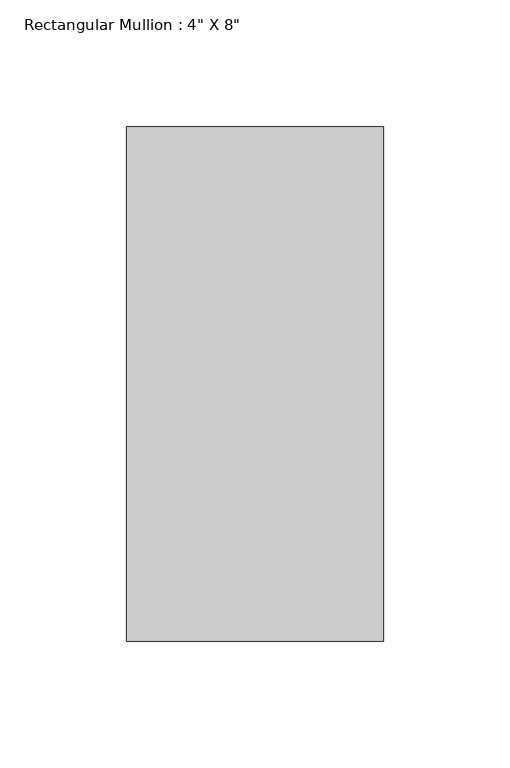
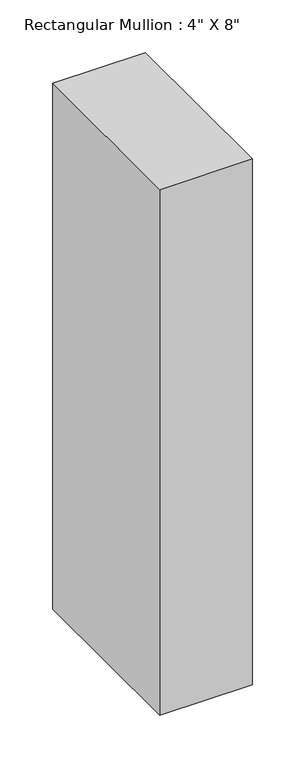
"""IFC4 building model written with IfcOpenShell, lengths in millimetres: member geometry."""

import ifcopenshell
import ifcopenshell.guid

model = None  # the IFC model being written
_history = None  # IfcOwnerHistory: only IFC2X3 demands one
_inside = {}  # id of a spatial element -> (the spatial element, [elements in it])
_under = {}  # id of a project, library or spatial element -> (it, [spatial elements below it])
_declared = {}  # id of a project -> (the project, [libraries it declares])
_typed = {}  # id of a type object -> (the type object, [elements of that type])
_made_of = {}  # id of a material, layer set ... -> (it, [elements and type objects made of it])


def new_model(schema):
    """Start an empty IFC model of exactly this schema.

    Asked for "IFC4X3", IfcOpenShell would pick the latest addendum, in which some entities
    have other attributes; the version numbers below select the first issue.
    IFC2X3 requires an IfcOwnerHistory on every rooted entity: one is made here for all.
    """
    global model, _history
    if schema == "IFC4X3":
        model = ifcopenshell.file(schema_version=(4, 3, 0, 0))
    else:
        model = ifcopenshell.file(schema=schema)
    _inside.clear()
    _under.clear()
    _declared.clear()
    _typed.clear()
    _made_of.clear()
    _history = None
    if model.schema == "IFC2X3":
        org = make("IfcOrganization", Name="unknown")
        user = make(
            "IfcPersonAndOrganization",
            ThePerson=make("IfcPerson", FamilyName="unknown"),
            TheOrganization=org,
        )
        app = make(
            "IfcApplication",
            ApplicationDeveloper=org,
            Version="unknown",
            ApplicationFullName="unknown",
            ApplicationIdentifier="unknown",
        )
        _history = make(
            "IfcOwnerHistory",
            OwningUser=user,
            OwningApplication=app,
            ChangeAction="ADDED",
            CreationDate=0,
        )
    return model


def make(cls, **values):
    """One entity of the class cls with the attributes given. An attribute that is None is left unset."""
    return model.create_entity(
        cls, **{name: value for name, value in values.items() if value is not None}
    )


def rooted(cls, **values):
    """An entity with a GlobalId (a new one), such as an element, a storey or a relation."""
    return make(cls, GlobalId=ifcopenshell.guid.new(), OwnerHistory=_history, **values)


def si_unit(unit_type, name, prefix=None):
    """IfcSIUnit, for example si_unit("LENGTHUNIT", "METRE", prefix="MILLI")."""
    return make("IfcSIUnit", UnitType=unit_type, Prefix=prefix, Name=name)


def assignment(units):
    """IfcUnitAssignment: the units of a project."""
    return None if units is None else make("IfcUnitAssignment", Units=units)


def point(xyz):
    """IfcCartesianPoint."""
    return None if xyz is None else make("IfcCartesianPoint", Coordinates=xyz)


def direction(xyz):
    """IfcDirection."""
    return None if xyz is None else make("IfcDirection", DirectionRatios=xyz)


def frame(location, z_axis=None, x_axis=None):
    """IfcAxis2Placement3D, a coordinate frame: its origin and axes. An axis left out is left unset."""
    return make(
        "IfcAxis2Placement3D",
        Location=point(location),
        Axis=direction(z_axis),
        RefDirection=direction(x_axis),
    )


def origin():
    """The frame at (0, 0, 0) with its axes left unset."""
    return frame((0.0, 0.0, 0.0))


def place(relative_to, where):
    """IfcLocalPlacement: puts the frame where relative to a parent placement (None: the world)."""
    return make(
        "IfcLocalPlacement", PlacementRelTo=relative_to, RelativePlacement=where
    )


def context(
    kind, dimensions, precision=None, world=None, true_north=None, identifier=None
):
    """IfcGeometricRepresentationContext, for example the 3D "Model" context."""
    return make(
        "IfcGeometricRepresentationContext",
        ContextIdentifier=identifier,
        ContextType=kind,
        CoordinateSpaceDimension=dimensions,
        Precision=precision,
        WorldCoordinateSystem=world,
        TrueNorth=true_north,
    )


def project(units=None, contexts=None):
    """IfcProject with its units and contexts."""
    return rooted(
        "IfcProject",
        Name="project",
        RepresentationContexts=contexts,
        UnitsInContext=assignment(units),
    )


def spatial(cls, under=None, at=None, **own):
    """A site, building, storey or space (cls), placed at a placement, below another one or the project."""
    s = rooted(cls, ObjectPlacement=at, **own)
    if under is not None:
        _under.setdefault(under.id(), (under, []))[1].append(s)
    return s


def polyline(points):
    """IfcPolyline through the points."""
    return make("IfcPolyline", Points=[point(p) for p in points])


def outline(outer, holes=None, kind="AREA"):
    """IfcArbitraryClosedProfileDef: a profile drawn as a closed curve; with holes, ...WithVoids."""
    if holes is None:
        return make("IfcArbitraryClosedProfileDef", ProfileType=kind, OuterCurve=outer)
    return make(
        "IfcArbitraryProfileDefWithVoids",
        ProfileType=kind,
        OuterCurve=outer,
        InnerCurves=holes,
    )


def extrude(swept, where, along, depth):
    """IfcExtrudedAreaSolid: the profile swept, set in the frame where, extruded along a direction by depth."""
    return make(
        "IfcExtrudedAreaSolid",
        SweptArea=swept,
        Position=where,
        ExtrudedDirection=direction(along),
        Depth=depth,
    )


def shape(context_of_items, identifier, shape_type, items):
    """IfcShapeRepresentation: the items that make up one representation, for example the "Body"."""
    return make(
        "IfcShapeRepresentation",
        ContextOfItems=context_of_items,
        RepresentationIdentifier=identifier,
        RepresentationType=shape_type,
        Items=items,
    )


def source(mapping_origin, context_of_items, identifier, shape_type, items):
    """IfcRepresentationMap: a shape defined once, which mapped items show again and again."""
    return make(
        "IfcRepresentationMap",
        MappingOrigin=mapping_origin,
        MappedRepresentation=shape(context_of_items, identifier, shape_type, items),
    )


def transform(
    local_origin,
    x_axis=None,
    y_axis=None,
    z_axis=None,
    scale=None,
    scale2=None,
    scale3=None,
    uniform=True,
):
    """IfcCartesianTransformationOperator3D, or its non-uniform kind. x_axis, y_axis, z_axis: its Axis1, 2, 3."""
    if uniform:
        return make(
            "IfcCartesianTransformationOperator3D",
            Axis1=direction(x_axis),
            Axis2=direction(y_axis),
            LocalOrigin=point(local_origin),
            Scale=scale,
            Axis3=direction(z_axis),
        )
    return make(
        "IfcCartesianTransformationOperator3DnonUniform",
        Axis1=direction(x_axis),
        Axis2=direction(y_axis),
        LocalOrigin=point(local_origin),
        Scale=scale,
        Axis3=direction(z_axis),
        Scale2=scale2,
        Scale3=scale3,
    )


def mapped(mapping_source, mapping_target):
    """IfcMappedItem: shows the shape of a source again, moved by a transform."""
    return make(
        "IfcMappedItem", MappingSource=mapping_source, MappingTarget=mapping_target
    )


def made_of(thing, what):
    """Note that an element or type object is made of a material, layer set ...; save() writes the relation."""
    if what is not None:
        _made_of.setdefault(what.id(), (what, []))[1].append(thing)
    return thing


def element(
    cls,
    number,
    at=None,
    inside=None,
    cuts=None,
    type_object=None,
    material=None,
    context=None,
    identifier="Body",
    shape_type=None,
    held_by="IfcProductDefinitionShape",
    body=None,
    shapes=None,
    **own,
):
    """One element of the class cls, such as IfcWall. Its Tag is "e" and its number.

    at: its placement. inside: the storey or other place that contains it. cuts: it is an
    opening in that element (IfcRelVoidsElement). A single representation is given by context,
    identifier, shape_type and body (its items); several are given by shapes. held_by: the class
    of the entity that holds the representations. save() writes the other relations.
    """
    e = rooted(cls, Tag="e%d" % number, ObjectPlacement=at, **own)
    if body is not None:
        shapes = [shape(context, identifier, shape_type, body)]
    if shapes is not None:
        e.Representation = make(held_by, Representations=shapes)
    if inside is not None:
        _inside.setdefault(inside.id(), (inside, []))[1].append(e)
    if cuts is not None:
        rooted(
            "IfcRelVoidsElement", RelatingBuildingElement=cuts, RelatedOpeningElement=e
        )
    if type_object is not None:
        _typed.setdefault(type_object.id(), (type_object, []))[1].append(e)
    return made_of(e, material)


def aggregate(whole, parts):
    """IfcRelAggregates: a whole, such as a stair, and the parts it consists of."""
    return rooted("IfcRelAggregates", RelatingObject=whole, RelatedObjects=parts)


def save(model, path):
    """Write the relations noted so far, then the file.

    IfcRelAggregates (storeys below a building ...), IfcRelContainedInSpatialStructure (elements
    in a storey), IfcRelDefinesByType, IfcRelAssociatesMaterial and IfcRelDeclares: one each for
    every whole, place, type object, material and project.
    """
    for whole, parts in _under.values():
        aggregate(whole, parts)
    for where, things in _inside.values():
        rooted(
            "IfcRelContainedInSpatialStructure",
            RelatedElements=things,
            RelatingStructure=where,
        )
    for kind, things in _typed.values():
        rooted("IfcRelDefinesByType", RelatedObjects=things, RelatingType=kind)
    for what, things in _made_of.values():
        rooted("IfcRelAssociatesMaterial", RelatedObjects=things, RelatingMaterial=what)
    for by, libraries in _declared.values():
        rooted("IfcRelDeclares", RelatingContext=by, RelatedDefinitions=libraries)
    model.write(path)


def member_982ae946(model_context):
    return source(origin(), model_context, "Body", "SweptSolid", [
        extrude(outline(polyline([(0.0, 139.7), (0.0, -63.5), (-101.6, -63.5), (-101.6, 139.7), (0.0, 139.7)])), frame((0.0, 0.0, -609.6), z_axis=(0.0, 0.0, 1.0), x_axis=(1.0, 0.0, 0.0)), (0.0, 0.0, 1.0), 609.6),
    ])


if __name__ == "__main__":
    model = new_model("IFC4")
    model_context = context("Model", 3, world=origin())
    ifc_project = project(units=[si_unit("LENGTHUNIT", "METRE", prefix="MILLI")], contexts=[model_context])
    site = spatial("IfcSite", under=ifc_project)
    building = spatial("IfcBuilding", under=site)
    placement = place(None, origin())
    member_shape = member_982ae946(model_context)
    element("IfcMember", 1, ObjectType="Rectangular Mullion : 4\" X 8\"", at=placement, inside=building, context=model_context, shape_type="MappedRepresentation", body=[
        mapped(member_shape, transform((0.0, 0.0, 0.0), x_axis=(1.0, 0.0, 0.0), y_axis=(0.0, 1.0, 0.0), z_axis=(0.0, 0.0, 1.0))),
    ])
    save(model, "model.ifc")
